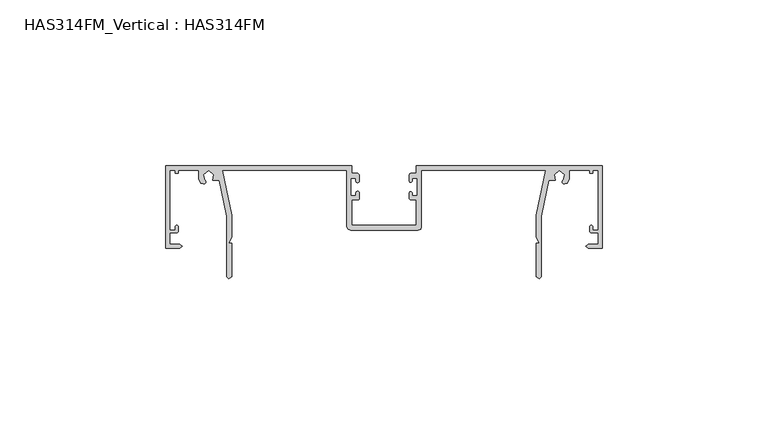
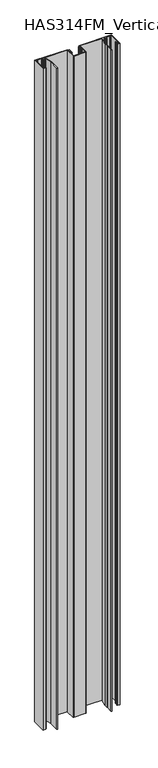
"""IFC4 building model written with IfcOpenShell, lengths in millimetres: beam geometry, HAS314FM_Vertical : HAS314FM."""

from ifc_helpers import new_model, si_unit, point, frame, frame_2d, origin, place, context, project, spatial, polyline, circle_curve, trimmed, segment, composite_curve, outline, extrude, source, transform, mapped, element, save


def has314fm_vertical_has314fm_94f3f881(model_context):
    return source(origin(), model_context, "Body", "SweptSolid", [
        extrude(outline(composite_curve([segment(polyline([(9.9742765, 25.0418006), (9.9742765, 30.3472669), (8.488746, 30.3472669), (8.488746, 29.5472669)]), True, "CONTINUOUS"), segment(trimmed(circle_curve(frame_2d((8.0643087, 29.5472669)), 0.4244373), [point((8.488746, 29.5472669))], [point((7.6398714, 29.5472669))], False, "CARTESIAN"), True, "CONTINUOUS"), segment(polyline([(7.6398714, 29.5472669), (7.6398714, 31.1981449)]), True, "CONTINUOUS"), segment(trimmed(circle_curve(frame_2d((8.2745239, 31.1981449)), 0.6346525), [point((7.6398714, 31.1981449))], [point((8.2745239, 31.8327974))], False, "CARTESIAN"), True, "CONTINUOUS"), segment(polyline([(8.2745239, 31.8327974), (9.7620579, 31.8327974), (9.7620579, 34.1672026), (66.0, 34.1672026), (66.0, 9.1254019), (61.755627, 9.1254019), (60.9067524, 9.7620579), (61.755627, 10.3987138), (64.7266881, 10.3987138), (64.7266881, 13.7942122), (62.7447485, 13.7942122)]), True, "CONTINUOUS"), segment(trimmed(circle_curve(frame_2d((62.7447485, 14.3588964)), 0.5646842), [point((62.7447485, 13.7942122))], [point((62.1800643, 14.3588964))], False, "CARTESIAN"), True, "CONTINUOUS"), segment(polyline([(62.1800643, 14.3588964), (62.1800643, 15.7041801)]), True, "CONTINUOUS"), segment(trimmed(circle_curve(frame_2d((62.6045016, 15.7041801)), 0.4244373), [point((62.1800643, 15.7041801))], [point((63.0289389, 15.7041801))], False, "CARTESIAN"), True, "CONTINUOUS"), segment(polyline([(63.0289389, 15.7041801), (63.0289389, 14.6430868), (64.7266881, 14.6430868), (64.7266881, 32.681672), (63.0289389, 32.681672), (63.0289389, 31.8327974), (62.1800643, 31.8327974), (62.1800643, 32.681672), (56.0257235, 32.681672), (56.0257235, 30.1350482), (55.3890675, 28.8617363), (54.5401929, 28.6495177)]), True, "CONTINUOUS"), segment(trimmed(circle_curve(frame_2d((54.4003215, 29.2090032)), 0.5767045), [point((54.5401929, 28.6495177))], [point((54.1157556, 29.7106109))], False, "CARTESIAN"), True, "CONTINUOUS"), segment(polyline([(54.1157556, 29.7106109), (54.5401929, 31.4083601), (52.9485531, 32.7347267), (51.3569132, 31.4083601), (51.7813505, 29.7106109), (49.7918006, 29.7106109), (47.5369775, 18.8874598), (47.5369775, 0.6366559), (46.9003215, 0.0), (46.0514469, 0.6366559), (46.0514469, 10.6109325), (46.9003215, 10.6109325), (46.0514469, 12.5209003), (46.0514469, 19.0996785), (48.8992843, 32.681672), (11.2475884, 32.681672), (11.2475884, 15.7041801), (11.0353698, 14.8553055), (10.1864952, 14.6430868), (-9.9742765, 14.6430868), (-10.8231511, 14.8553055), (-11.2475884, 15.7041801), (-11.2475884, 32.681672), (-48.8992843, 32.681672), (-46.0514469, 19.0996785), (-46.0514469, 12.5209003), (-46.9003215, 10.6109325), (-46.0514469, 10.6109325), (-46.0514469, 0.6366559), (-46.9003215, 0.0), (-47.5369775, 0.6366559), (-47.5369775, 18.8874598), (-49.7918006, 29.7106109), (-51.7813505, 29.7106109), (-51.3569132, 31.4083601), (-52.9485531, 32.7347267), (-54.5401929, 31.4083601), (-54.1157556, 29.7106109)]), True, "CONTINUOUS"), segment(trimmed(circle_curve(frame_2d((-54.4003215, 29.2090032)), 0.5767045), [point((-54.1157556, 29.7106109))], [point((-54.5401929, 28.6495177))], False, "CARTESIAN"), True, "CONTINUOUS"), segment(polyline([(-54.5401929, 28.6495177), (-55.3890675, 28.8617363), (-56.0257235, 30.1350482), (-56.0257235, 32.681672), (-62.1800643, 32.681672), (-62.1800643, 31.8327974), (-63.0289389, 31.8327974), (-63.0289389, 32.681672), (-64.7266881, 32.681672), (-64.7266881, 14.6430868), (-63.0289389, 14.6430868), (-63.0289389, 15.7041801)]), True, "CONTINUOUS"), segment(trimmed(circle_curve(frame_2d((-62.6045016, 15.7041801)), 0.4244373), [point((-63.0289389, 15.7041801))], [point((-62.1800643, 15.7041801))], False, "CARTESIAN"), True, "CONTINUOUS"), segment(polyline([(-62.1800643, 15.7041801), (-62.1800643, 14.3588964)]), True, "CONTINUOUS"), segment(trimmed(circle_curve(frame_2d((-62.7447485, 14.3588964)), 0.5646842), [point((-62.1800643, 14.3588964))], [point((-62.7447485, 13.7942122))], False, "CARTESIAN"), True, "CONTINUOUS"), segment(polyline([(-62.7447485, 13.7942122), (-64.7266881, 13.7942122), (-64.7266881, 10.3987138), (-61.755627, 10.3987138), (-60.9067524, 9.7620579), (-61.755627, 9.1254019), (-66.0, 9.1254019), (-66.0, 34.1672026), (-9.7620579, 34.1672026), (-9.7620579, 31.8327974), (-8.2221754, 31.8327974)]), True, "CONTINUOUS"), segment(trimmed(circle_curve(frame_2d((-8.2221754, 31.0382748)), 0.7945227), [point((-8.2221754, 31.8327974))], [point((-7.4276527, 31.0382748))], False, "CARTESIAN"), True, "CONTINUOUS"), segment(polyline([(-7.4276527, 31.0382748), (-7.4276527, 29.5472669)]), True, "CONTINUOUS"), segment(trimmed(circle_curve(frame_2d((-7.9581994, 29.5472669)), 0.5305466), [point((-7.4276527, 29.5472669))], [point((-8.488746, 29.5472669))], False, "CARTESIAN"), True, "CONTINUOUS"), segment(polyline([(-8.488746, 29.5472669), (-8.488746, 30.3472669), (-9.9742765, 30.3472669), (-9.9742765, 25.0418006), (-8.488746, 25.0418006), (-8.488746, 25.8418006)]), True, "CONTINUOUS"), segment(trimmed(circle_curve(frame_2d((-7.9581994, 25.8418006)), 0.5305466), [point((-8.488746, 25.8418006))], [point((-7.4276527, 25.8418006))], False, "CARTESIAN"), True, "CONTINUOUS"), segment(polyline([(-7.4276527, 25.8418006), (-7.4276527, 24.3684887)]), True, "CONTINUOUS"), segment(trimmed(circle_curve(frame_2d((-8.0276527, 24.3684887)), 0.6), [point((-7.4276527, 24.3684887))], [point((-8.0276527, 23.7684887))], False, "CARTESIAN"), True, "CONTINUOUS"), segment(polyline([(-8.0276527, 23.7684887), (-9.7620579, 23.7684887), (-9.7620579, 16.1286174), (9.7620579, 16.1286174), (9.7620579, 23.7684887), (8.180906, 23.7684887)]), True, "CONTINUOUS"), segment(trimmed(circle_curve(frame_2d((8.180906, 24.3095233)), 0.5410346), [point((8.180906, 23.7684887))], [point((7.6398714, 24.3095233))], False, "CARTESIAN"), True, "CONTINUOUS"), segment(polyline([(7.6398714, 24.3095233), (7.6398714, 25.8418006)]), True, "CONTINUOUS"), segment(trimmed(circle_curve(frame_2d((8.0643087, 25.8418006)), 0.4244373), [point((7.6398714, 25.8418006))], [point((8.488746, 25.8418006))], False, "CARTESIAN"), True, "CONTINUOUS"), segment(polyline([(8.488746, 25.8418006), (8.488746, 25.0418006), (9.9742765, 25.0418006)]), True, "CONTINUOUS")], self_intersect=False)), frame((0.0, 0.0, -600.0), z_axis=(0.0, 0.0, 1.0), x_axis=(1.0, 0.0, 0.0)), (0.0, 0.0, 1.0), 1200.0),
    ])


if __name__ == "__main__":
    model = new_model("IFC4")
    model_context = context("Model", 3, world=origin())
    ifc_project = project(units=[si_unit("LENGTHUNIT", "METRE", prefix="MILLI")], contexts=[model_context])
    site = spatial("IfcSite", under=ifc_project)
    building = spatial("IfcBuilding", under=site)
    placement = place(None, origin())
    has314fm_vertical_has314fm_shape = has314fm_vertical_has314fm_94f3f881(model_context)
    element("IfcBeam", 1, ObjectType="HAS314FM_Vertical : HAS314FM", at=placement, inside=building, context=model_context, shape_type="MappedRepresentation", body=[
        mapped(has314fm_vertical_has314fm_shape, transform((0.0, 0.0, 0.0), x_axis=(1.0, 0.0, 0.0), y_axis=(0.0, 1.0, 0.0), z_axis=(0.0, 0.0, 1.0))),
    ])
    save(model, "model.ifc")
